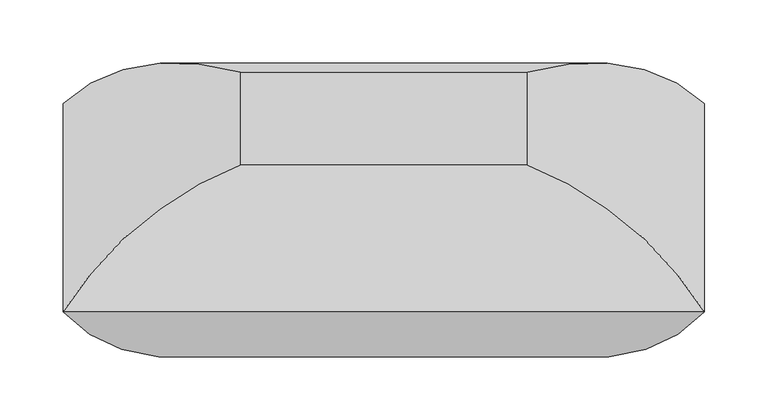
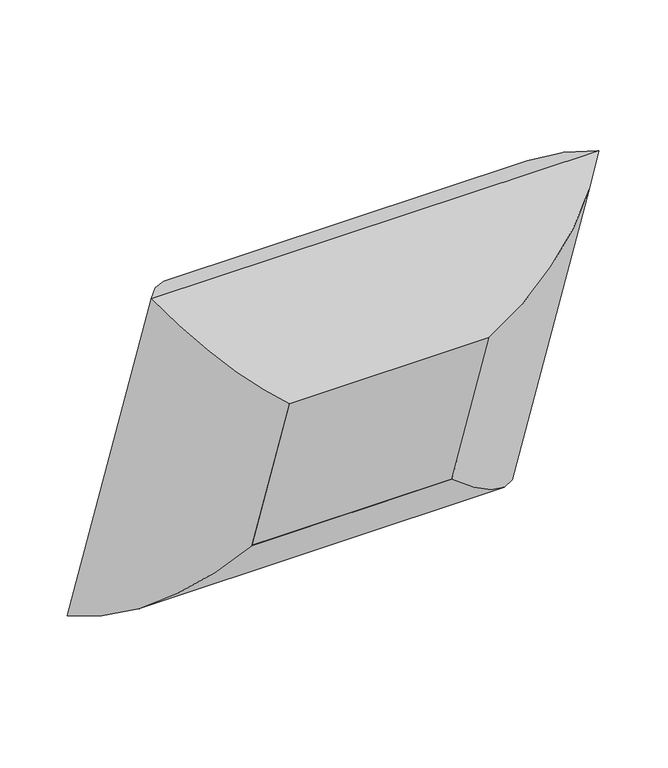
"""IFC4 building model written with IfcOpenShell, lengths in millimetres: furniture geometry."""

from ifc_helpers import new_model, si_unit, frame, origin, place, context, project, spatial, polyline, ellipse_curve, outline, extrude, source, transform, mapped, element, save
from ifc_brep_helpers import plane_surface, cylinder_surface, advanced_brep


def furniture_79c3aae8(model_context):
    return source(origin(), model_context, "Body", "SolidModel", [
        advanced_brep(
        [(-113.50625, -193.1711003, 753.623473), (-253.6741804, -165.1764695, 911.5072994), (-253.6741804, 0.0, 431.8), (-113.50625, -119.2630596, 538.9789373), (-113.50625, -49.0740693, 803.2400597), (-113.50625, 24.8339713, 588.5955241), (253.6741804, 0.0, 431.8), (113.50625, -119.2630596, 538.9789373), (113.50625, 24.8339713, 588.5955241), (253.6741804, -165.1764695, 911.5072994), (113.50625, -193.1711003, 753.623473), (113.50625, -49.0740693, 803.2400597)],
        [
            (0, 1, ellipse_curve(frame((-108.726504, -27.38801, 805.6520105), z_axis=(-0.7071067811865476, 0.23021144975504046, -0.6685825965441237), x_axis=(-0.7071067811865474, -0.23021144975504032, 0.6685825965441238)), 245.7274984, 173.7555804)),
            (1, 2),
            (2, 3, ellipse_curve(frame((-108.726504, 43.4077645, 600.0461521), z_axis=(-0.7071067811865474, -0.2302114497550406, 0.668582596544124), x_axis=(0.707106781186548, -0.23021144975504013, 0.6685825965441233)), 245.7274984, 173.7555804)),
            (3, 0),
            (4, 0),
            (3, 5),
            (5, 4),
            (1, 4, ellipse_curve(frame((-104.3179464, -222.2835912, 733.8814986), z_axis=(-0.7071067811865476, 0.23021144975504046, -0.6685825965441237), x_axis=(-0.7071067811865474, -0.23021144975504032, 0.6685825965441238)), 263.8641638, 186.5801395)),
            (5, 2, ellipse_curve(frame((-104.3179464, -154.3583886, 536.6123863), z_axis=(-0.7071067811865474, -0.2302114497550406, 0.668582596544124), x_axis=(0.707106781186548, -0.23021144975504013, 0.6685825965441233)), 263.8641638, 186.5801395)),
            (2, 6),
            (6, 7, ellipse_curve(frame((108.726504, 43.4077645, 600.0461521), z_axis=(-0.7071067811865477, 0.23021144975504004, -0.6685825965441237), x_axis=(-0.7071067811865475, -0.23021144975504035, 0.6685825965441239)), 245.7274984, 173.7555804)),
            (7, 3),
            (7, 8),
            (8, 5),
            (8, 6, ellipse_curve(frame((104.3179464, -154.3583886, 536.6123863), z_axis=(-0.7071067811865477, 0.23021144975504004, -0.6685825965441237), x_axis=(-0.7071067811865475, -0.23021144975504035, 0.6685825965441239)), 263.8641638, 186.5801395)),
            (6, 9),
            (9, 10, ellipse_curve(frame((108.726504, -27.38801, 805.6520105), z_axis=(0.7071067811865474, 0.23021144975504007, -0.6685825965441238), x_axis=(-0.7071067811865474, 0.23021144975504026, -0.6685825965441238)), 245.7274984, 173.7555804)),
            (10, 7),
            (10, 11),
            (11, 8),
            (11, 9, ellipse_curve(frame((104.3179464, -222.2835912, 733.8814986), z_axis=(0.7071067811865474, 0.23021144975504007, -0.6685825965441238), x_axis=(-0.7071067811865474, 0.23021144975504026, -0.6685825965441238)), 263.8641638, 186.5801395)),
            (9, 1),
            (0, 10),
            (4, 11),
        ],
        [
            cylinder_surface(frame((-108.726504, -28.9441431, 810.1713492), z_axis=(0.0, -0.3255681544571505, 0.9455185755993191), x_axis=(0.0, -0.9455185755993191, -0.3255681544571505)), 173.7555804),
            plane_surface(frame((-113.50625, -193.1711003, 753.623473), z_axis=(1.0000000000000002, 0.0, 0.0), x_axis=(0.0, 0.3255681544571504, -0.9455185755993191))),
            cylinder_surface(frame((-104.3179464, -225.2750102, 742.5692103), z_axis=(0.0, -0.3255681544571505, 0.9455185755993191), x_axis=(0.0, -0.9455185755993191, -0.3255681544571505)), 186.5801395),
            cylinder_surface(frame((-113.50625, 43.4077645, 600.0461521), z_axis=(-1.0, 0.0, 0.0), x_axis=(0.0, -0.9455185755993188, -0.32556815445715076)), 173.7555804),
            plane_surface(frame((-113.50625, -119.2630596, 538.9789373), z_axis=(0.0, -0.3255681544571507, 0.945518575599319), x_axis=(1.0, 0.0, 0.0))),
            cylinder_surface(frame((-113.50625, -154.3583886, 536.6123863), z_axis=(-1.0, 0.0, 0.0), x_axis=(0.0, -0.9455185755993188, -0.32556815445715076)), 186.5801395),
            cylinder_surface(frame((108.726504, 44.9638976, 595.5268135), z_axis=(0.0, 0.32556815445715015, -0.9455185755993191), x_axis=(0.0, -0.9455185755993191, -0.32556815445715015)), 173.7555804),
            plane_surface(frame((113.50625, -119.2630596, 538.9789373), z_axis=(-1.0000000000000002, 0.0, 0.0), x_axis=(0.0, -0.32556815445715037, 0.9455185755993191))),
            cylinder_surface(frame((104.3179464, -151.3669696, 527.9246746), z_axis=(0.0, 0.32556815445715015, -0.9455185755993191), x_axis=(0.0, -0.9455185755993191, -0.32556815445715015)), 186.5801395),
            cylinder_surface(frame((113.50625, -27.38801, 805.6520105), z_axis=(1.0, 0.0, 0.0), x_axis=(0.0, -0.9455185755993192, -0.32556815445714987)), 173.7555804),
            plane_surface(frame((113.50625, -193.1711003, 753.623473), z_axis=(0.0, 0.3255681544571499, -0.9455185755993192), x_axis=(-1.0, 0.0, 0.0))),
            cylinder_surface(frame((113.50625, -222.2835912, 733.8814986), z_axis=(1.0, 0.0, 0.0), x_axis=(0.0, -0.9455185755993192, -0.32556815445714987)), 186.5801395),
        ],
        [
            (0, [[1, 2, 3, 4]]),
            (1, [[5, -4, 6, 7]]),
            (2, [[8, -7, 9, -2]]),
            (3, [[-3, 10, 11, 12]]),
            (4, [[-6, -12, 13, 14]]),
            (5, [[-9, -14, 15, -10]]),
            (6, [[-11, 16, 17, 18]]),
            (7, [[-13, -18, 19, 20]]),
            (8, [[-15, -20, 21, -16]]),
            (9, [[-17, 22, -1, 23]]),
            (10, [[-19, -23, -5, 24]]),
            (11, [[-21, -24, -8, -22]]),
        ],
    ),
        extrude(outline(polyline([(0.0, -227.0125), (0.0, 0.0), (152.4, 0.0), (152.4, -227.0125), (0.0, -227.0125)])), frame((-113.50625, -119.2630596, 538.9789373), z_axis=(0.0, -0.3255681544571508, 0.9455185755993188), x_axis=(0.0, 0.9455185755993188, 0.3255681544571508)), (0.0, 0.0, 1.0), 227.0125),
    ])


if __name__ == "__main__":
    model = new_model("IFC4")
    model_context = context("Model", 3, world=origin())
    ifc_project = project(units=[si_unit("LENGTHUNIT", "METRE", prefix="MILLI")], contexts=[model_context])
    site = spatial("IfcSite", under=ifc_project)
    building = spatial("IfcBuilding", under=site)
    placement = place(None, origin())
    furniture_shape = furniture_79c3aae8(model_context)
    element("IfcFurniture", 1, at=placement, inside=building, context=model_context, shape_type="MappedRepresentation", body=[
        mapped(furniture_shape, transform((0.0, 0.0, 0.0), x_axis=(1.0, 0.0, 0.0), y_axis=(0.0, 1.0, 0.0), z_axis=(0.0, 0.0, 1.0))),
    ])
    save(model, "model.ifc")
